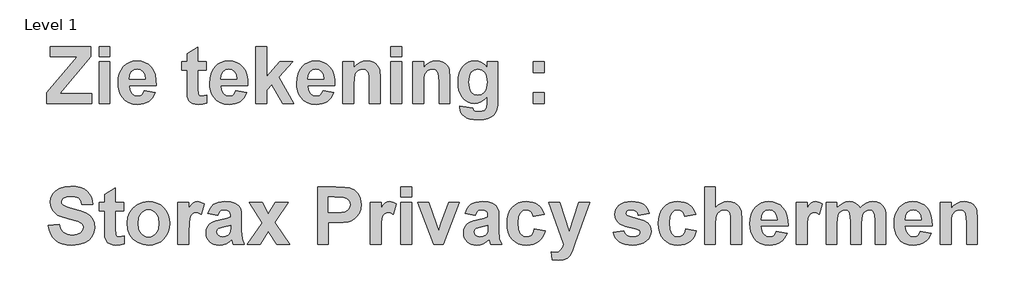
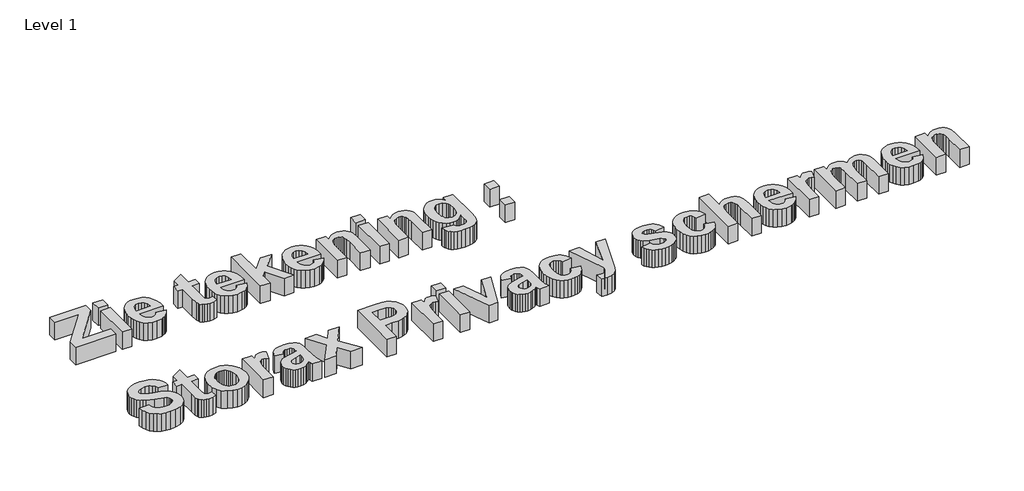
# One storey, part 20 of 20: 1 proxy.
"""IFC4 building model written with IfcOpenShell, lengths in millimetres."""

from ifc_helpers import new_model, si_unit, origin, origin_with_axes, place, context, project, spatial, polyline, outline, extrude, element, save

model = new_model("IFC4")

# Units and contexts
model_context = context("Model", 3, world=origin())
ifc_project = project(units=[si_unit("LENGTHUNIT", "METRE", prefix="MILLI")], contexts=[model_context])

# Site, building, storey
site = spatial("IfcSite", under=ifc_project)
building = spatial("IfcBuilding", under=site)
storey = spatial("IfcBuildingStorey", under=building, Name="Level 1", Elevation=0.0)

# Proxy
placement = place(None, origin())
element("IfcBuildingElementProxy", 1, Name="400mm", ObjectType="400mm", at=placement, inside=storey, context=model_context, shape_type="SweptSolid", body=[
    extrude(outline(polyline([(40439.2387969, 9279.0826693), (40439.2387969, 9356.8167188), (40657.9670273, 9615.9302172), (40465.1501467, 9615.9302172), (40465.1501467, 9687.1864293), (40756.6528324, 9687.1864293), (40756.6528324, 9615.9302172), (40532.4589265, 9350.3388814), (40763.1306699, 9350.3388814), (40763.1306699, 9279.0826693), (40439.2387969, 9279.0826693)])), origin_with_axes(), (0.0, 0.0, 1.0), 150.0),
    extrude(outline(polyline([(40814.9533695, 9279.0826693), (40814.9533695, 9577.0631925), (40892.6874191, 9577.0631925), (40892.6874191, 9279.0826693), (40814.9533695, 9279.0826693)])), origin_with_axes(), (0.0, 0.0, 1.0), 150.0),
    extrude(outline(polyline([(40814.9533695, 9615.9302172), (40814.9533695, 9687.1864293), (40892.6874191, 9687.1864293), (40892.6874191, 9615.9302172), (40814.9533695, 9615.9302172)])), origin_with_axes(), (0.0, 0.0, 1.0), 150.0),
    extrude(outline(polyline([(41138.8452425, 9369.7723938), (41216.5792921, 9356.8167188), (41197.6518607, 9320.5433595), (41184.9998344, 9306.0979084), (41170.2222677, 9294.1132765), (41153.3887468, 9284.703332), (41134.5688577, 9277.981943), (41090.9699751, 9272.6048319), (41055.7657119, 9275.7741644), (41025.4577829, 9285.2821622), (41000.0461881, 9301.1288251), (40979.5309275, 9323.3141532), (40967.0433776, 9344.9427922), (40958.123699, 9369.2410086), (40952.7718919, 9396.2088027), (40950.9879562, 9425.8461743), (40953.3538851, 9460.7910709), (40960.4516719, 9491.7379272), (40972.2813164, 9518.6867432), (40988.8428189, 9541.6375189), (41009.0228008, 9559.970305), (41031.7078839, 9573.0651522), (41056.8980683, 9580.9220605), (41084.5933538, 9583.5410299), (41115.3694078, 9580.8524743), (41142.7167626, 9572.7868076), (41166.6354183, 9559.3440297), (41187.1253749, 9540.5241406), (41203.4528148, 9516.1500119), (41214.8839205, 9486.0445154), (41221.4186921, 9450.2076509), (41223.0571295, 9408.6394185), (41028.7220057, 9408.6394185), (41033.7069041, 9375.8959745), (41047.0421398, 9351.3510435), (41066.7033886, 9336.0167876), (41090.6663264, 9330.905369), (41106.9874403, 9333.2080378), (41120.5251085, 9340.1160441), (41131.1781146, 9352.1354691), (41138.8452425, 9369.7723938)]), holes=[polyline([(41145.32308, 9453.9842807), (41140.5912222, 9484.7160526), (41128.015108, 9507.072183), (41109.7455821, 9520.6984154), (41087.9334887, 9525.2404928), (41064.9068009, 9520.4580269), (41046.2324101, 9506.110629), (41033.9852487, 9483.463502), (41030.0378164, 9453.9842807), (41145.32308, 9453.9842807)])]), origin_with_axes(), (0.0, 0.0, 1.0), 150.0),
    extrude(outline(polyline([(41579.3381898, 9577.0631925), (41579.3381898, 9518.7626553), (41521.0376527, 9518.7626553), (41521.0376527, 9390.9265817), (41522.8089364, 9345.7335438), (41530.8556251, 9335.1058417), (41546.1392728, 9330.905369), (41582.5771085, 9338.3953686), (41585.8160273, 9283.1313177), (41555.830725, 9275.2364533), (41522.151031, 9272.6048319), (41501.452316, 9274.4267236), (41482.8791414, 9279.892399), (41467.7093619, 9288.2427363), (41457.2208321, 9298.7186141), (41450.3001737, 9312.3068903), (41445.8340084, 9329.9944231), (41443.3036032, 9386.5742847), (41443.3036032, 9518.7626553), (41404.4365784, 9518.7626553), (41404.4365784, 9577.0631925), (41443.3036032, 9577.0631925), (41443.3036032, 9635.3637296), (41521.0376527, 9680.7085918), (41521.0376527, 9577.0631925), (41579.3381898, 9577.0631925)])), origin_with_axes(), (0.0, 0.0, 1.0), 150.0),
    extrude(outline(polyline([(41793.106826, 9369.7723938), (41870.8408755, 9356.8167188), (41851.9134442, 9320.5433595), (41839.2614179, 9306.0979084), (41824.4838512, 9294.1132765), (41807.6503302, 9284.703332), (41788.8304411, 9277.981943), (41745.2315585, 9272.6048319), (41710.0272954, 9275.7741644), (41679.7193664, 9285.2821622), (41654.3077716, 9301.1288251), (41633.792511, 9323.3141532), (41621.304961, 9344.9427922), (41612.3852825, 9369.2410086), (41607.0334754, 9396.2088027), (41605.2495397, 9425.8461743), (41607.6154686, 9460.7910709), (41614.7132553, 9491.7379272), (41626.5428999, 9518.6867432), (41643.1044023, 9541.6375189), (41663.2843842, 9559.970305), (41685.9694674, 9573.0651522), (41711.1596517, 9580.9220605), (41738.8549373, 9583.5410299), (41769.6309912, 9580.8524743), (41796.978346, 9572.7868076), (41820.8970017, 9559.3440297), (41841.3869583, 9540.5241406), (41857.7143982, 9516.1500119), (41869.145504, 9486.0445154), (41875.6802756, 9450.2076509), (41877.318713, 9408.6394185), (41682.9835892, 9408.6394185), (41687.9684875, 9375.8959745), (41701.3037232, 9351.3510435), (41720.9649721, 9336.0167876), (41744.9279099, 9330.905369), (41761.2490238, 9333.2080378), (41774.7866919, 9340.1160441), (41785.4396981, 9352.1354691), (41793.106826, 9369.7723938)]), holes=[polyline([(41799.5846635, 9453.9842807), (41794.8528056, 9484.7160526), (41782.2766915, 9507.072183), (41764.0071655, 9520.6984154), (41742.1950722, 9525.2404928), (41719.1683844, 9520.4580269), (41700.4939936, 9506.110629), (41688.2468321, 9483.463502), (41684.2993999, 9453.9842807), (41799.5846635, 9453.9842807)])]), origin_with_axes(), (0.0, 0.0, 1.0), 150.0),
    extrude(outline(polyline([(41935.6192501, 9279.0826693), (41935.6192501, 9687.1864293), (42013.3532996, 9687.1864293), (42013.3532996, 9472.1019824), (42107.2819428, 9577.0631925), (42197.9716673, 9577.0631925), (42098.0712677, 9467.5472529), (42204.4495047, 9279.0826693), (42126.7154552, 9279.0826693), (42048.0704598, 9412.5868507), (42013.3532996, 9374.5295556), (42013.3532996, 9279.0826693), (41935.6192501, 9279.0826693)])), origin_with_axes(), (0.0, 0.0, 1.0), 150.0),
    extrude(outline(polyline([(42414.9792222, 9369.7723938), (42492.7132717, 9356.8167188), (42473.7858404, 9320.5433595), (42461.1338141, 9306.0979084), (42446.3562474, 9294.1132765), (42429.5227264, 9284.703332), (42410.7028373, 9277.981943), (42367.1039547, 9272.6048319), (42331.8996915, 9275.7741644), (42301.5917626, 9285.2821622), (42276.1801678, 9301.1288251), (42255.6649071, 9323.3141532), (42243.1773572, 9344.9427922), (42234.2576787, 9369.2410086), (42228.9058715, 9396.2088027), (42227.1219358, 9425.8461743), (42229.4878647, 9460.7910709), (42236.5856515, 9491.7379272), (42248.4152961, 9518.6867432), (42264.9767985, 9541.6375189), (42285.1567804, 9559.970305), (42307.8418635, 9573.0651522), (42333.0320479, 9580.9220605), (42360.7273334, 9583.5410299), (42391.5033874, 9580.8524743), (42418.8507422, 9572.7868076), (42442.7693979, 9559.3440297), (42463.2593545, 9540.5241406), (42479.5867944, 9516.1500119), (42491.0179002, 9486.0445154), (42497.5526717, 9450.2076509), (42499.1911091, 9408.6394185), (42304.8559853, 9408.6394185), (42309.8408837, 9375.8959745), (42323.1761194, 9351.3510435), (42342.8373683, 9336.0167876), (42366.8003061, 9330.905369), (42383.12142, 9333.2080378), (42396.6590881, 9340.1160441), (42407.3120942, 9352.1354691), (42414.9792222, 9369.7723938)]), holes=[polyline([(42421.4570596, 9453.9842807), (42416.7252018, 9484.7160526), (42404.1490877, 9507.072183), (42385.8795617, 9520.6984154), (42364.0674684, 9525.2404928), (42341.0407805, 9520.4580269), (42322.3663897, 9506.110629), (42310.1192283, 9483.463502), (42306.1717961, 9453.9842807), (42421.4570596, 9453.9842807)])]), origin_with_axes(), (0.0, 0.0, 1.0), 150.0),
    extrude(outline(polyline([(42823.0829821, 9279.0826693), (42745.3489326, 9279.0826693), (42745.3489326, 9432.2227955), (42744.1343381, 9472.3044148), (42740.4905545, 9495.1792783), (42734.0886292, 9507.8566087), (42724.5996095, 9517.3456284), (42712.4789683, 9523.2667767), (42698.1821786, 9525.2404928), (42679.3686155, 9522.4190909), (42662.6046807, 9513.9548853), (42649.3453571, 9500.8220821), (42641.0456279, 9483.9948871), (42636.6806788, 9457.4129799), (42635.2256958, 9415.0160398), (42635.2256958, 9279.0826693), (42557.4916463, 9279.0826693), (42557.4916463, 9577.0631925), (42635.2256958, 9577.0631925), (42635.2256958, 9534.1475193), (42654.8932707, 9555.7571802), (42676.9520785, 9571.1926523), (42701.4021193, 9580.4539355), (42728.2433931, 9583.5410299), (42751.8773782, 9581.187753), (42773.3858229, 9574.1279224), (42791.3517002, 9563.4243081), (42804.3579832, 9550.1396805), (42813.2776618, 9534.5903402), (42818.9837256, 9517.0925879), (42823.0829821, 9464.1059018), (42823.0829821, 9279.0826693)])), origin_with_axes(), (0.0, 0.0, 1.0), 150.0),
    extrude(outline(polyline([(42900.8170317, 9279.0826693), (42900.8170317, 9577.0631925), (42978.5510812, 9577.0631925), (42978.5510812, 9279.0826693), (42900.8170317, 9279.0826693)])), origin_with_axes(), (0.0, 0.0, 1.0), 150.0),
    extrude(outline(polyline([(42900.8170317, 9615.9302172), (42900.8170317, 9687.1864293), (42978.5510812, 9687.1864293), (42978.5510812, 9615.9302172), (42900.8170317, 9615.9302172)])), origin_with_axes(), (0.0, 0.0, 1.0), 150.0),
    extrude(outline(polyline([(43321.8764666, 9279.0826693), (43244.1424171, 9279.0826693), (43244.1424171, 9432.2227955), (43242.9278225, 9472.3044148), (43239.284039, 9495.1792783), (43232.8821137, 9507.8566087), (43223.3930939, 9517.3456284), (43211.2724528, 9523.2667767), (43196.975663, 9525.2404928), (43178.1621, 9522.4190909), (43161.3981651, 9513.9548853), (43148.1388416, 9500.8220821), (43139.8391123, 9483.9948871), (43135.4741633, 9457.4129799), (43134.0191802, 9415.0160398), (43134.0191802, 9279.0826693), (43056.2851307, 9279.0826693), (43056.2851307, 9577.0631925), (43134.0191802, 9577.0631925), (43134.0191802, 9534.1475193), (43153.6867551, 9555.7571802), (43175.7455629, 9571.1926523), (43200.1956037, 9580.4539355), (43227.0368775, 9583.5410299), (43250.6708626, 9581.187753), (43272.1793073, 9574.1279224), (43290.1451846, 9563.4243081), (43303.1514677, 9550.1396805), (43312.0711462, 9534.5903402), (43317.7772101, 9517.0925879), (43321.8764666, 9464.1059018), (43321.8764666, 9279.0826693)])), origin_with_axes(), (0.0, 0.0, 1.0), 150.0),
    extrude(outline(polyline([(43393.1326786, 9259.6491569), (43483.8224031, 9246.693482), (43487.2890583, 9235.2560502), (43493.4379431, 9228.0696993), (43506.9250031, 9222.604024), (43526.3332114, 9220.7821322), (43551.4854397, 9223.084801), (43569.451317, 9229.9928073), (43577.9028706, 9238.0648001), (43584.0264513, 9249.9324007), (43587.4678024, 9286.167804), (43587.4678024, 9329.5895583), (43567.4206668, 9307.4927943), (43545.7414197, 9291.7093915), (43522.4300613, 9282.2393499), (43497.4865915, 9279.0826693), (43470.2404529, 9282.2520019), (43445.9928445, 9291.7599997), (43424.7437663, 9307.6066626), (43406.4932184, 9329.7919907), (43394.9798745, 9351.0600469), (43386.7560574, 9374.7825962), (43381.8217671, 9400.9596386), (43380.1770037, 9429.591174), (43382.3310112, 9464.8302303), (43388.7930336, 9495.6474033), (43399.563071, 9522.0426931), (43414.6411233, 9544.0160998), (43432.9264643, 9561.3082567), (43453.3183677, 9573.6597974), (43475.8168334, 9581.0707218), (43500.4218616, 9583.5410299), (43525.675306, 9580.6120858), (43548.6007777, 9571.8252536), (43569.1982765, 9557.1805332), (43587.4678024, 9536.6779246), (43587.4678024, 9577.0631925), (43665.201852, 9577.0631925), (43665.201852, 9312.3828025), (43663.0889636, 9266.8228558), (43656.7502984, 9234.3957125), (43646.6033733, 9211.3310685), (43633.0657052, 9193.8586202), (43615.2769562, 9180.763773), (43592.3767886, 9170.8319324), (43563.5428207, 9164.5691794), (43527.9526708, 9162.481595), (43493.8364819, 9164.0377943), (43465.0721001, 9168.706392), (43441.6595255, 9176.4873881), (43423.5987579, 9187.3807828), (43410.137002, 9200.6654104), (43400.521462, 9215.6201054), (43394.752138, 9232.244868), (43392.82903, 9250.539698), (43393.1326786, 9259.6491569)]), holes=[polyline([(43457.9110532, 9432.5264441), (43462.4025226, 9389.7625953), (43468.0168592, 9373.3529172), (43475.8769306, 9360.25807), (43495.9556963, 9343.1019223), (43520.2602388, 9337.3832065), (43546.3107609, 9343.2537467), (43567.9836819, 9360.8653672), (43576.5079847, 9374.0171486), (43582.5967723, 9389.9903318), (43587.4678024, 9430.4009037), (43582.7992047, 9472.3676749), (43576.9634576, 9488.6919519), (43568.7934116, 9501.9101563), (43547.6518757, 9519.4079087), (43521.5760495, 9525.2404928), (43496.284649, 9519.5217769), (43475.8769306, 9502.3656293), (43468.0168592, 9489.4226064), (43462.4025226, 9473.4684012), (43457.9110532, 9432.5264441)])]), origin_with_axes(), (0.0, 0.0, 1.0), 150.0),
    extrude(outline(polyline([(43917.8375129, 9499.329143), (43917.8375129, 9577.0631925), (43995.5715624, 9577.0631925), (43995.5715624, 9499.329143), (43917.8375129, 9499.329143)])), origin_with_axes(), (0.0, 0.0, 1.0), 150.0),
    extrude(outline(polyline([(43917.8375129, 9279.0826693), (43917.8375129, 9356.8167188), (43995.5715624, 9356.8167188), (43995.5715624, 9279.0826693), (43917.8375129, 9279.0826693)])), origin_with_axes(), (0.0, 0.0, 1.0), 150.0),
    extrude(outline(polyline([(40452.1944718, 8407.8264573), (40529.9285213, 8414.3042947), (40541.2647368, 8379.5365265), (40560.2933844, 8355.3964603), (40587.1409842, 8341.276799), (40621.9340565, 8336.5702452), (40658.0429395, 8340.7327618), (40683.9795934, 8353.2203118), (40699.6174979, 8371.2747533), (40704.8301327, 8392.1379447), (40702.6666362, 8405.3593121), (40696.1761467, 8416.4804432), (40684.27059, 8425.8808988), (40665.8618917, 8433.9402395), (40598.4518957, 8451.2482115), (40540.9104801, 8469.1381766), (40519.693032, 8479.5824244), (40503.5110904, 8491.0261821), (40486.7281775, 8508.7453449), (40474.7403826, 8528.2990516), (40467.5477057, 8549.687302), (40465.1501467, 8572.9100963), (40469.5530518, 8602.9713107), (40482.7617673, 8631.008201), (40504.270212, 8654.8193145), (40533.5723049, 8672.2031986), (40570.1872689, 8682.8309007), (40613.6343272, 8686.373468), (40649.5755709, 8684.1656894), (40680.7786307, 8677.5423537), (40707.2435067, 8666.5034607), (40728.9701989, 8651.0490106), (40746.0282933, 8631.9128209), (40758.4873762, 8609.828709), (40766.3474475, 8584.796675), (40769.6085073, 8556.8167188), (40691.8744578, 8556.8167188), (40683.2837319, 8583.5251463), (40668.4429051, 8601.5036757), (40645.9855584, 8611.7138609), (40614.5452731, 8615.117256), (40581.4475723, 8611.4987765), (40556.4471684, 8600.6433379), (40546.2749393, 8589.7625953), (40542.8841962, 8575.7441502), (40545.9712906, 8562.5101307), (40555.2325739, 8551.3510435), (40582.1181297, 8538.2815003), (40631.3977721, 8524.7817883), (40683.9922454, 8510.7380391), (40720.8222939, 8496.0363845), (40746.6324276, 8478.2349836), (40766.1671562, 8454.891995), (40778.4649257, 8425.7164224), (40782.5641822, 8390.4172691), (40777.7184562, 8356.712271), (40763.181278, 8325.2340296), (40739.7750293, 8298.7659906), (40708.322092, 8280.0915998), (40668.4808612, 8269.0084248), (40619.9097323, 8265.3140331), (40583.5857648, 8267.5882349), (40551.7406146, 8274.41084), (40524.3742818, 8285.7818487), (40501.4867662, 8301.7012607), (40482.9199176, 8321.9792959), (40468.5155857, 8346.4261737), (40458.2737704, 8375.0418941), (40452.1944718, 8407.8264573)])), origin_with_axes(), (0.0, 0.0, 1.0), 150.0),
    extrude(outline(polyline([(40989.854981, 8569.7723938), (40989.854981, 8511.4718566), (40931.5544438, 8511.4718566), (40931.5544438, 8383.635783), (40933.3257275, 8338.4427451), (40941.3724162, 8327.815043), (40956.656064, 8323.6145703), (40993.0938997, 8331.1045698), (40996.3328184, 8275.840519), (40966.3475161, 8267.9456546), (40932.6678221, 8265.3140331), (40911.9691071, 8267.1359249), (40893.3959325, 8272.6016003), (40878.226153, 8280.9519376), (40867.7376232, 8291.4278154), (40860.8169648, 8305.0160916), (40856.3507996, 8322.7036244), (40853.8203943, 8379.2834859), (40853.8203943, 8511.4718566), (40814.9533695, 8511.4718566), (40814.9533695, 8569.7723938), (40853.8203943, 8569.7723938), (40853.8203943, 8628.0729309), (40931.5544438, 8673.4177931), (40931.5544438, 8569.7723938), (40989.854981, 8569.7723938)])), origin_with_axes(), (0.0, 0.0, 1.0), 150.0),
    extrude(outline(polyline([(41015.7663308, 8425.033213), (41020.5614488, 8463.5839371), (41034.9468026, 8500.8947626), (41058.1126628, 8533.2459939), (41089.2492995, 8556.917935), (41126.4209527, 8571.4171572), (41167.6918625, 8576.2502312), (41199.6793479, 8573.5110675), (41228.6366731, 8565.2935764), (41254.563838, 8551.597758), (41277.4608426, 8532.4236121), (41296.1700264, 8509.0616456), (41309.5337292, 8482.802365), (41317.5519509, 8453.6457705), (41320.2246914, 8421.5918619), (41317.5234838, 8389.2817497), (41309.419861, 8359.8626256), (41295.9138229, 8333.3344895), (41277.0053696, 8309.6973414), (41254.0039858, 8290.279644), (41228.2191562, 8276.4098602), (41199.6508809, 8268.0879899), (41168.2991597, 8265.3140331), (41128.6603614, 8269.9320227), (41090.919367, 8283.7859915), (41058.5301797, 8306.5722909), (41034.9468026, 8337.9872721), (41020.5614488, 8377.6134185), (41015.7663308, 8425.033213)]), holes=[polyline([(41093.5003803, 8420.7821322), (41098.8774915, 8379.2202258), (41105.5988805, 8362.5669962), (41115.008825, 8348.6655823), (41126.3924857, 8337.7057646), (41139.0350229, 8329.8773233), (41152.9364368, 8325.1802585), (41168.0967273, 8323.6145703), (41183.2506918, 8325.1802585), (41197.1331277, 8329.8773233), (41209.7440349, 8337.7057646), (41221.0834134, 8348.6655823), (41230.4490759, 8362.6049523), (41237.1388348, 8379.3720501), (41242.4906419, 8421.3894294), (41237.1388348, 8462.4958628), (41230.4490759, 8479.0352242), (41221.0834134, 8492.898682), (41209.7440349, 8503.8584998), (41197.1331277, 8511.6869411), (41183.2506918, 8516.3840058), (41168.0967273, 8517.9496941), (41152.9364368, 8516.3840058), (41139.0350229, 8511.6869411), (41126.3924857, 8503.8584998), (41115.008825, 8492.898682), (41105.5988805, 8478.9972681), (41098.8774915, 8462.3440385), (41093.5003803, 8420.7821322)])]), origin_with_axes(), (0.0, 0.0, 1.0), 150.0),
    extrude(outline(polyline([(41456.2592781, 8271.7918706), (41378.5252286, 8271.7918706), (41378.5252286, 8569.7723938), (41456.2592781, 8569.7723938), (41456.2592781, 8528.2737475), (41472.6816082, 8552.6795062), (41487.3326546, 8566.988948), (41502.0596132, 8573.9349104), (41518.7096798, 8576.2502312), (41542.9762663, 8572.1509747), (41566.3825149, 8559.8532051), (41543.7100838, 8485.8641554), (41524.9850849, 8495.3531751), (41507.6771129, 8498.5161817), (41492.7350699, 8496.3020771), (41480.298128, 8489.6597633), (41470.3030273, 8477.2481255), (41462.6865074, 8457.7260489), (41457.8660854, 8421.9967267), (41456.2592781, 8360.9633519), (41456.2592781, 8271.7918706)])), origin_with_axes(), (0.0, 0.0, 1.0), 150.0),
    extrude(outline(polyline([(41663.5500768, 8479.0826693), (41592.2938647, 8492.0383442), (41607.7419888, 8529.3871258), (41618.5499823, 8543.886348), (41631.41393, 8555.6021243), (41646.9854114, 8564.6356711), (41665.9160057, 8571.0882045), (41713.8545333, 8576.2502312), (41757.2003754, 8573.1251807), (41787.8435831, 8563.7500292), (41808.5422981, 8549.5797598), (41822.0546621, 8532.0693554), (41829.4940536, 8504.8548469), (41831.9738508, 8461.5722649), (41831.9738508, 8369.667946), (41836.0731073, 8311.7722737), (41851.4073631, 8271.7918706), (41773.6733136, 8271.7918706), (41766.3857465, 8296.4886259), (41763.6529088, 8306.3065983), (41743.536187, 8288.4039811), (41722.0530464, 8275.5874785), (41699.1528788, 8267.8823945), (41674.7850761, 8265.3140331), (41653.7922015, 8266.8733954), (41635.1462778, 8271.5514821), (41618.8473049, 8279.3482933), (41604.8952829, 8290.263829), (41593.7140547, 8303.5579456), (41585.7274631, 8318.4904996), (41580.9355081, 8335.0614911), (41579.3381898, 8353.2709199), (41582.1848957, 8377.1073374), (41590.7250135, 8398.2109173), (41604.4018539, 8415.6454095), (41622.6587278, 8428.4745642), (41647.7350439, 8438.3178406), (41681.8702109, 8446.7946982), (41726.0763907, 8456.789799), (41754.2398012, 8466.1269944), (41754.2398012, 8474.3255074), (41751.8232642, 8494.5181414), (41744.5736532, 8507.9292893), (41730.6437722, 8515.4445929), (41708.1864255, 8517.9496941), (41692.0677441, 8515.7988496), (41679.9471029, 8509.3463162), (41670.7870358, 8497.4787155), (41663.5500768, 8479.0826693)]), holes=[polyline([(41754.2398012, 8407.8264573), (41710.4131822, 8397.0469309), (41671.1412926, 8384.7491613), (41660.5895026, 8373.6912903), (41657.0722393, 8359.9511898), (41659.8936412, 8346.1731331), (41668.3578468, 8334.3940967), (41681.1743494, 8326.3094519), (41697.0526424, 8323.6145703), (41716.106594, 8326.7522728), (41734.1989916, 8336.1653804), (41745.0797342, 8346.7424743), (41751.4057474, 8359.4451087), (41754.2398012, 8393.757404), (41754.2398012, 8407.8264573)])]), origin_with_axes(), (0.0, 0.0, 1.0), 150.0),
    extrude(outline(polyline([(41874.0797943, 8271.7918706), (41979.344653, 8425.2356454), (41887.0354692, 8569.7723938), (41979.4458692, 8569.7723938), (42024.3858666, 8487.8884796), (42073.1720799, 8569.7723938), (42165.58248, 8569.7723938), (42070.5404585, 8428.6769966), (42178.5381549, 8271.7918706), (42086.1277549, 8271.7918706), (42024.3858666, 8364.1010544), (41966.4901943, 8271.7918706), (41874.0797943, 8271.7918706)])), origin_with_axes(), (0.0, 0.0, 1.0), 150.0),
    extrude(outline(polyline([(42376.1121974, 8271.7918706), (42376.1121974, 8679.8956306), (42507.5920546, 8679.8956306), (42569.3592469, 8678.3773874), (42605.0632651, 8673.822658), (42637.1361518, 8659.3360879), (42663.5156266, 8634.0952954), (42673.811213, 8617.6761283), (42681.1652033, 8599.0365306), (42685.5775974, 8578.1765022), (42687.0483955, 8555.0960433), (42683.5943923, 8520.7204878), (42673.2323828, 8492.2913848), (42657.5438702, 8469.5683455), (42638.1103578, 8452.3109817), (42616.6398692, 8440.2282966), (42594.8404279, 8433.0292936), (42558.2760719, 8428.7023006), (42508.3005681, 8427.2599696), (42453.8462469, 8427.2599696), (42453.8462469, 8271.7918706), (42376.1121974, 8271.7918706)]), holes=[polyline([(42453.8462469, 8608.6394185), (42453.8462469, 8498.5161817), (42502.1263792, 8498.5161817), (42545.6113936, 8500.0344248), (42571.81374, 8504.5891543), (42587.4769486, 8512.3954545), (42599.3445493, 8523.66841), (42606.8218968, 8537.7248112), (42609.314346, 8553.8814487), (42605.8097347, 8573.1884409), (42595.2959008, 8588.8010413), (42579.4429119, 8599.9854325), (42559.9208353, 8606.007797), (42496.4582715, 8608.6394185), (42453.8462469, 8608.6394185)])]), origin_with_axes(), (0.0, 0.0, 1.0), 150.0),
    extrude(outline(polyline([(42829.5608196, 8271.7918706), (42751.8267701, 8271.7918706), (42751.8267701, 8569.7723938), (42829.5608196, 8569.7723938), (42829.5608196, 8528.2737475), (42845.9831497, 8552.6795062), (42860.6341962, 8566.988948), (42875.3611548, 8573.9349104), (42892.0112214, 8576.2502312), (42916.2778078, 8572.1509747), (42939.6840564, 8559.8532051), (42917.0116253, 8485.8641554), (42898.2866264, 8495.3531751), (42880.9786544, 8498.5161817), (42866.0366114, 8496.3020771), (42853.5996696, 8489.6597633), (42843.6045688, 8477.2481255), (42835.988049, 8457.7260489), (42831.1676269, 8421.9967267), (42829.5608196, 8360.9633519), (42829.5608196, 8271.7918706)])), origin_with_axes(), (0.0, 0.0, 1.0), 150.0),
    extrude(outline(polyline([(42972.0732437, 8608.6394185), (42972.0732437, 8679.8956306), (43049.8072932, 8679.8956306), (43049.8072932, 8608.6394185), (42972.0732437, 8608.6394185)])), origin_with_axes(), (0.0, 0.0, 1.0), 150.0),
    extrude(outline(polyline([(42972.0732437, 8271.7918706), (42972.0732437, 8569.7723938), (43049.8072932, 8569.7723938), (43049.8072932, 8271.7918706), (42972.0732437, 8271.7918706)])), origin_with_axes(), (0.0, 0.0, 1.0), 150.0),
    extrude(outline(polyline([(43207.5021489, 8271.7918706), (43091.9132367, 8569.7723938), (43169.6472863, 8569.7723938), (43224.9113371, 8417.7456459), (43240.9034983, 8366.9351083), (43248.7983627, 8392.4415933), (43256.9968758, 8417.7456459), (43312.1597104, 8569.7723938), (43389.8937599, 8569.7723938), (43275.9243071, 8271.7918706), (43207.5021489, 8271.7918706)])), origin_with_axes(), (0.0, 0.0, 1.0), 150.0),
    extrude(outline(polyline([(43503.2559155, 8479.0826693), (43431.9997034, 8492.0383442), (43447.4478275, 8529.3871258), (43458.2558209, 8543.886348), (43471.1197687, 8555.6021243), (43486.69125, 8564.6356711), (43505.6218444, 8571.0882045), (43553.560372, 8576.2502312), (43596.906214, 8573.1251807), (43627.5494217, 8563.7500292), (43648.2481367, 8549.5797598), (43661.7605008, 8532.0693554), (43669.1998923, 8504.8548469), (43671.6796894, 8461.5722649), (43671.6796894, 8369.667946), (43675.7789459, 8311.7722737), (43691.1132018, 8271.7918706), (43613.3791523, 8271.7918706), (43606.0915851, 8296.4886259), (43603.3587475, 8306.3065983), (43583.2420257, 8288.4039811), (43561.758885, 8275.5874785), (43538.8587174, 8267.8823945), (43514.4909148, 8265.3140331), (43493.4980402, 8266.8733954), (43474.8521164, 8271.5514821), (43458.5531436, 8279.3482933), (43444.6011216, 8290.263829), (43433.4198933, 8303.5579456), (43425.4333017, 8318.4904996), (43420.6413468, 8335.0614911), (43419.0440285, 8353.2709199), (43421.8907344, 8377.1073374), (43430.4308521, 8398.2109173), (43444.1076926, 8415.6454095), (43462.3645665, 8428.4745642), (43487.4408826, 8438.3178406), (43521.5760495, 8446.7946982), (43565.7822294, 8456.789799), (43593.9456399, 8466.1269944), (43593.9456399, 8474.3255074), (43591.5291029, 8494.5181414), (43584.2794918, 8507.9292893), (43570.3496109, 8515.4445929), (43547.8922642, 8517.9496941), (43531.7735827, 8515.7988496), (43519.6529415, 8509.3463162), (43510.4928745, 8497.4787155), (43503.2559155, 8479.0826693)]), holes=[polyline([(43593.9456399, 8407.8264573), (43550.1190208, 8397.0469309), (43510.8471312, 8384.7491613), (43500.2953413, 8373.6912903), (43496.778078, 8359.9511898), (43499.5994799, 8346.1731331), (43508.0636854, 8334.3940967), (43520.8801881, 8326.3094519), (43536.7584811, 8323.6145703), (43555.8124327, 8326.7522728), (43573.9048303, 8336.1653804), (43584.7855729, 8346.7424743), (43591.111586, 8359.4451087), (43593.9456399, 8393.757404), (43593.9456399, 8407.8264573)])]), origin_with_axes(), (0.0, 0.0, 1.0), 150.0),
    extrude(outline(polyline([(43995.5715624, 8485.5605068), (43917.8375129, 8472.6048319), (43911.8784085, 8492.3799489), (43901.2886625, 8506.5628704), (43886.4478357, 8515.1029882), (43867.7354888, 8517.9496941), (43843.0893416, 8512.610539), (43824.0100859, 8496.5930737), (43816.8806691, 8484.1245018), (43811.7882285, 8468.0754064), (43807.7142761, 8425.2356454), (43811.9527049, 8377.7399387), (43817.2507409, 8360.1219921), (43824.6679913, 8346.59065), (43844.5190205, 8329.3585902), (43870.1646778, 8323.6145703), (43889.5855382, 8326.8914451), (43905.1348785, 8336.7220695), (43916.7367866, 8354.5740786), (43924.3153504, 8381.9151074), (44002.0493999, 8368.9594325), (43994.88519, 8344.8731374), (43985.0324245, 8323.9308709), (43972.4911035, 8306.1326329), (43957.2612268, 8291.4784235), (43939.2795344, 8280.0315027), (43918.4827662, 8271.8551307), (43894.8709222, 8266.9493075), (43868.4440023, 8265.3140331), (43838.4175809, 8267.8887205), (43811.5984481, 8275.6127825), (43787.9866041, 8288.4862193), (43767.5820487, 8306.5090307), (43751.1312515, 8329.0802456), (43739.3806821, 8355.5988927), (43732.3303404, 8386.064972), (43729.9802266, 8420.4784835), (43732.3145254, 8455.2810449), (43739.317422, 8486.0033277), (43750.9889162, 8512.6453321), (43767.3290082, 8535.2070579), (43787.6544884, 8553.1634462), (43811.2821475, 8565.9894379), (43838.2119854, 8573.6850329), (43868.4440023, 8576.2502312), (43915.2311955, 8570.6453836), (43934.6204258, 8563.639324), (43951.3400785, 8553.8308406), (43965.6431942, 8541.1566733), (43977.7828135, 8525.5535619), (43995.5715624, 8485.5605068)])), origin_with_axes(), (0.0, 0.0, 1.0), 150.0),
    extrude(outline(polyline([(44027.9607497, 8569.7723938), (44105.6947992, 8569.7723938), (44173.7120926, 8358.8378115), (44241.7293859, 8569.7723938), (44319.4634354, 8569.7723938), (44218.6520899, 8284.2414645), (44199.927091, 8231.2041703), (44181.4551327, 8193.4505238), (44161.2624987, 8172.2963359), (44133.1750003, 8159.6949177), (44095.5731782, 8155.1907963), (44053.8720996, 8159.6443096), (44047.3942621, 8217.2363332), (44078.2652062, 8213.4913335), (44100.292384, 8217.603242), (44115.7658122, 8229.9389676), (44126.5326865, 8248.6260105), (44134.440203, 8271.7918706), (44027.9607497, 8569.7723938)])), origin_with_axes(), (0.0, 0.0, 1.0), 150.0),
    extrude(outline(polyline([(44487.8872094, 8356.0037576), (44565.6212589, 8368.9594325), (44573.0226943, 8349.3740958), (44585.5102442, 8335.1532182), (44603.5140776, 8326.4992323), (44627.4643634, 8323.6145703), (44653.4516254, 8326.372712), (44672.1007121, 8334.6471372), (44679.6919279, 8343.6553799), (44682.2223332, 8355.2952441), (44676.857874, 8369.8703784), (44651.4526052, 8380.0932156), (44576.3754812, 8399.982201), (44534.9527472, 8418.1505107), (44520.0296822, 8431.3655522), (44509.37035, 8446.9212185), (44502.9747507, 8464.8175097), (44500.8428843, 8485.0544257), (44502.6711021, 8503.5706662), (44508.1557555, 8520.5560115), (44517.2968445, 8536.0104616), (44530.0943691, 8549.9340165), (44546.7381097, 8561.4473605), (44567.4178466, 8569.6711775), (44592.13358, 8574.6054678), (44620.8853097, 8576.2502312), (44671.8729757, 8570.9363802), (44691.7303309, 8564.2940664), (44707.8300344, 8554.994827), (44720.9438596, 8543.0892703), (44731.8435803, 8528.6280043), (44747.0007078, 8492.0383442), (44669.2666583, 8479.0826693), (44663.5479424, 8495.7074319), (44654.2866591, 8507.9292893), (44640.9261194, 8515.4445929), (44622.9096339, 8517.9496941), (44600.7685879, 8515.8241537), (44585.9657172, 8509.4475324), (44580.4241297, 8502.4636139), (44578.5769338, 8493.6578036), (44580.4241297, 8486.0412838), (44585.9657172, 8479.5887504), (44608.1194152, 8470.3021631), (44654.7421321, 8457.8272651), (44704.7049839, 8442.1134485), (44736.8790867, 8423.110105), (44746.9754037, 8411.6030871), (44754.1870587, 8398.0337889), (44758.5140517, 8382.4022104), (44759.9563827, 8364.7083517), (44757.8656354, 8345.0312878), (44751.5933933, 8326.7902289), (44741.1396566, 8309.985175), (44726.5044252, 8294.616126), (44707.7699373, 8281.7964604), (44685.018431, 8272.6395564), (44658.2499064, 8267.1454139), (44627.4643634, 8265.3140331), (44599.2598338, 8266.8386023), (44574.1613766, 8271.4123098), (44552.1689919, 8279.0351556), (44533.2826797, 8289.7071398), (44517.4455058, 8302.9980934), (44504.6005361, 8318.4778476), (44494.7477706, 8336.1464023), (44487.8872094, 8356.0037576)])), origin_with_axes(), (0.0, 0.0, 1.0), 150.0),
    extrude(outline(polyline([(45077.3704182, 8485.5605068), (44999.6363687, 8472.6048319), (44993.6772643, 8492.3799489), (44983.0875183, 8506.5628704), (44968.2466915, 8515.1029882), (44949.5343446, 8517.9496941), (44924.8881974, 8512.610539), (44905.8089418, 8496.5930737), (44898.6795249, 8484.1245018), (44893.5870844, 8468.0754064), (44889.5131319, 8425.2356454), (44893.7515607, 8377.7399387), (44899.0495967, 8360.1219921), (44906.4668471, 8346.59065), (44926.3178764, 8329.3585902), (44951.9635337, 8323.6145703), (44971.384394, 8326.8914451), (44986.9337343, 8336.7220695), (44998.5356424, 8354.5740786), (45006.1142062, 8381.9151074), (45083.8482557, 8368.9594325), (45076.6840458, 8344.8731374), (45066.8312803, 8323.9308709), (45054.2899593, 8306.1326329), (45039.0600826, 8291.4784235), (45021.0783903, 8280.0315027), (45000.2816221, 8271.8551307), (44976.669778, 8266.9493075), (44950.2428581, 8265.3140331), (44920.2164367, 8267.8887205), (44893.397304, 8275.6127825), (44869.7854599, 8288.4862193), (44849.3809045, 8306.5090307), (44832.9301073, 8329.0802456), (44821.1795379, 8355.5988927), (44814.1291963, 8386.064972), (44811.7790824, 8420.4784835), (44814.1133812, 8455.2810449), (44821.1162778, 8486.0033277), (44832.787772, 8512.6453321), (44849.127864, 8535.2070579), (44869.4533442, 8553.1634462), (44893.0810033, 8565.9894379), (44920.0108413, 8573.6850329), (44950.2428581, 8576.2502312), (44997.0300513, 8570.6453836), (45016.4192816, 8563.639324), (45033.1389343, 8553.8308406), (45047.4420501, 8541.1566733), (45059.5816693, 8525.5535619), (45077.3704182, 8485.5605068)])), origin_with_axes(), (0.0, 0.0, 1.0), 150.0),
    extrude(outline(polyline([(45219.8828424, 8679.8956306), (45219.8828424, 8532.1199635), (45239.4112449, 8551.4269556), (45260.7488873, 8565.2176643), (45283.8957694, 8573.4920895), (45308.8518912, 8576.2502312), (45334.1559438, 8573.732478), (45356.8283749, 8566.1792183), (45375.5533738, 8554.6911784), (45389.0151298, 8540.3690847), (45398.1245887, 8523.8075822), (45403.7926965, 8505.6013164), (45407.7401287, 8446.4910496), (45407.7401287, 8271.7918706), (45330.0060792, 8271.7918706), (45330.0060792, 8430.2964559), (45328.9180049, 8468.9230922), (45325.6537821, 8490.2670606), (45319.6314176, 8501.6665362), (45310.2689182, 8510.4596945), (45297.8699324, 8516.0771942), (45282.738109, 8517.9496941), (45264.7216235, 8515.5458091), (45248.7294623, 8508.3341541), (45235.7611354, 8496.2894251), (45226.8161528, 8479.3863179), (45221.61617, 8455.3980761), (45219.8828424, 8422.0979429), (45219.8828424, 8271.7918706), (45142.1487928, 8271.7918706), (45142.1487928, 8679.8956306), (45219.8828424, 8679.8956306)])), origin_with_axes(), (0.0, 0.0, 1.0), 150.0),
    extrude(outline(polyline([(45653.8979522, 8362.481595), (45731.6320017, 8349.5259201), (45712.7045704, 8313.2525607), (45700.0525441, 8298.8071097), (45685.2749774, 8286.8224778), (45668.4414564, 8277.4125333), (45649.6215673, 8270.6911443), (45606.0226847, 8265.3140331), (45570.8184216, 8268.4833657), (45540.5104926, 8277.9913635), (45515.0988978, 8293.8380264), (45494.5836372, 8316.0233545), (45482.0960872, 8337.6519934), (45473.1764087, 8361.9502099), (45467.8246016, 8388.918004), (45466.0406658, 8418.5553755), (45468.4065948, 8453.5002722), (45475.5043815, 8484.4471285), (45487.3340261, 8511.3959445), (45503.8955285, 8534.3467201), (45524.0755104, 8552.6795062), (45546.7605936, 8565.7743534), (45571.9507779, 8573.6312618), (45599.6460635, 8576.2502312), (45630.4221174, 8573.5616756), (45657.7694722, 8565.4960089), (45681.6881279, 8552.0532309), (45702.1780845, 8533.2333418), (45718.5055244, 8508.8592132), (45729.9366302, 8478.7537166), (45736.4714018, 8442.9168522), (45738.1098392, 8401.3486198), (45543.7747154, 8401.3486198), (45548.7596137, 8368.6051758), (45562.0948494, 8344.0602448), (45581.7560983, 8328.7259889), (45605.7190361, 8323.6145703), (45622.04015, 8325.9172391), (45635.5778181, 8332.8252454), (45646.2308243, 8344.8446704), (45653.8979522, 8362.481595)]), holes=[polyline([(45660.3757896, 8446.693482), (45655.6439318, 8477.4252539), (45643.0678177, 8499.7813843), (45624.7982917, 8513.4076166), (45602.9861984, 8517.9496941), (45579.9595106, 8513.1672281), (45561.2851198, 8498.8198303), (45549.0379583, 8476.1727033), (45545.0905261, 8446.693482), (45660.3757896, 8446.693482)])]), origin_with_axes(), (0.0, 0.0, 1.0), 150.0),
    extrude(outline(polyline([(45874.1444258, 8271.7918706), (45796.4103763, 8271.7918706), (45796.4103763, 8569.7723938), (45874.1444258, 8569.7723938), (45874.1444258, 8528.2737475), (45890.566756, 8552.6795062), (45905.2178024, 8566.988948), (45919.944761, 8573.9349104), (45936.5948276, 8576.2502312), (45960.861414, 8572.1509747), (45984.2676626, 8559.8532051), (45961.5952315, 8485.8641554), (45942.8702326, 8495.3531751), (45925.5622607, 8498.5161817), (45910.6202176, 8496.3020771), (45898.1832758, 8489.6597633), (45888.188175, 8477.2481255), (45880.5716552, 8457.7260489), (45875.7512332, 8421.9967267), (45874.1444258, 8360.9633519), (45874.1444258, 8271.7918706)])), origin_with_axes(), (0.0, 0.0, 1.0), 150.0),
    extrude(outline(polyline([(46010.1790125, 8569.7723938), (46087.913062, 8569.7723938), (46087.913062, 8529.8932069), (46107.0492518, 8550.174405), (46127.9187691, 8564.6609751), (46150.5216141, 8573.3529172), (46174.8577867, 8576.2502312), (46199.8961467, 8573.4035253), (46221.3666353, 8564.8634076), (46239.2945566, 8550.5539658), (46253.7052145, 8530.3992879), (46273.6068519, 8550.5539658), (46295.0520364, 8564.8634076), (46318.0154641, 8573.4035253), (46342.4718309, 8576.2502312), (46372.0016603, 8572.9227483), (46396.6225035, 8562.9402996), (46416.0054077, 8546.5053174), (46429.8214204, 8523.8202343), (46435.7425688, 8498.8957425), (46437.7162849, 8462.1795622), (46437.7162849, 8271.7918706), (46359.9822353, 8271.7918706), (46359.9822353, 8443.3533471), (46358.0085192, 8480.0695274), (46352.0873709, 8500.9453707), (46338.6762231, 8513.6986132), (46319.4957512, 8517.9496941), (46303.9717149, 8515.4066368), (46289.3839286, 8507.7774649), (46277.2379834, 8495.2393069), (46269.0394704, 8477.969291), (46264.3708727, 8452.6399344), (46262.8146734, 8415.9237541), (46262.8146734, 8271.7918706), (46185.0806239, 8271.7918706), (46185.0806239, 8436.2682124), (46181.0319755, 8492.7974658), (46175.8826008, 8503.8806408), (46168.5317735, 8511.7248971), (46158.5493248, 8516.3934948), (46145.5050857, 8517.9496941), (46128.8803231, 8515.4825489), (46114.0268443, 8508.0811136), (46102.0327233, 8496.0110805), (46093.9860346, 8479.5381423), (46089.4313052, 8454.7275187), (46087.913062, 8417.6444297), (46087.913062, 8271.7918706), (46010.1790125, 8271.7918706), (46010.1790125, 8569.7723938)])), origin_with_axes(), (0.0, 0.0, 1.0), 150.0),
    extrude(outline(polyline([(46683.8741083, 8362.481595), (46761.6081579, 8349.5259201), (46742.6807265, 8313.2525607), (46730.0287002, 8298.8071097), (46715.2511335, 8286.8224778), (46698.4176126, 8277.4125333), (46679.5977234, 8270.6911443), (46635.9988409, 8265.3140331), (46600.7945777, 8268.4833657), (46570.4866487, 8277.9913635), (46545.0750539, 8293.8380264), (46524.5597933, 8316.0233545), (46512.0722434, 8337.6519934), (46503.1525648, 8361.9502099), (46497.8007577, 8388.918004), (46496.016822, 8418.5553755), (46498.3827509, 8453.5002722), (46505.4805377, 8484.4471285), (46517.3101822, 8511.3959445), (46533.8716846, 8534.3467201), (46554.0516666, 8552.6795062), (46576.7367497, 8565.7743534), (46601.9269341, 8573.6312618), (46629.6222196, 8576.2502312), (46660.3982736, 8573.5616756), (46687.7456284, 8565.4960089), (46711.6642841, 8552.0532309), (46732.1542407, 8533.2333418), (46748.4816806, 8508.8592132), (46759.9127863, 8478.7537166), (46766.4475579, 8442.9168522), (46768.0859953, 8401.3486198), (46573.7508715, 8401.3486198), (46578.7357699, 8368.6051758), (46592.0710056, 8344.0602448), (46611.7322544, 8328.7259889), (46635.6951922, 8323.6145703), (46652.0163061, 8325.9172391), (46665.5539743, 8332.8252454), (46676.2069804, 8344.8446704), (46683.8741083, 8362.481595)]), holes=[polyline([(46690.3519458, 8446.693482), (46685.620088, 8477.4252539), (46673.0439738, 8499.7813843), (46654.7744479, 8513.4076166), (46632.9623545, 8517.9496941), (46609.9356667, 8513.1672281), (46591.2612759, 8498.8198303), (46579.0141144, 8476.1727033), (46575.0666822, 8446.693482), (46690.3519458, 8446.693482)])]), origin_with_axes(), (0.0, 0.0, 1.0), 150.0),
    extrude(outline(polyline([(47091.9778683, 8271.7918706), (47014.2438188, 8271.7918706), (47014.2438188, 8424.9319968), (47013.0292243, 8465.0136161), (47009.3854407, 8487.8884796), (47002.9835154, 8500.56581), (46993.4944957, 8510.0548297), (46981.3738545, 8515.975978), (46967.0770648, 8517.9496941), (46948.2635017, 8515.1282922), (46931.4995669, 8506.6640866), (46918.2402433, 8493.5312833), (46909.9405141, 8476.7040884), (46905.575565, 8450.1221811), (46904.120582, 8407.725241), (46904.120582, 8271.7918706), (46826.3865325, 8271.7918706), (46826.3865325, 8569.7723938), (46904.120582, 8569.7723938), (46904.120582, 8526.8567206), (46923.7881568, 8548.4663815), (46945.8469647, 8563.9018536), (46970.2970055, 8573.1631368), (46997.1382793, 8576.2502312), (47020.7722644, 8573.8969543), (47042.2807091, 8566.8371237), (47060.2465864, 8556.1335094), (47073.2528694, 8542.8488818), (47082.1725479, 8527.2995415), (47087.8786118, 8509.8017891), (47091.9778683, 8456.815103), (47091.9778683, 8271.7918706)])), origin_with_axes(), (0.0, 0.0, 1.0), 150.0),
])

save(model, "model.ifc")
